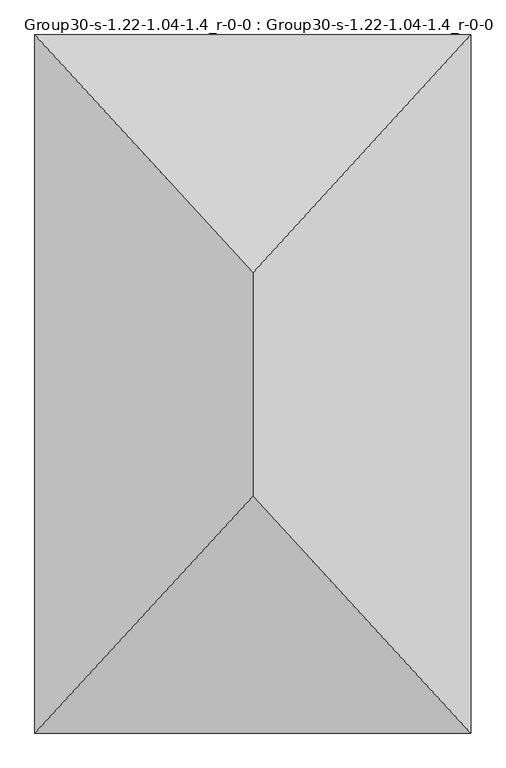
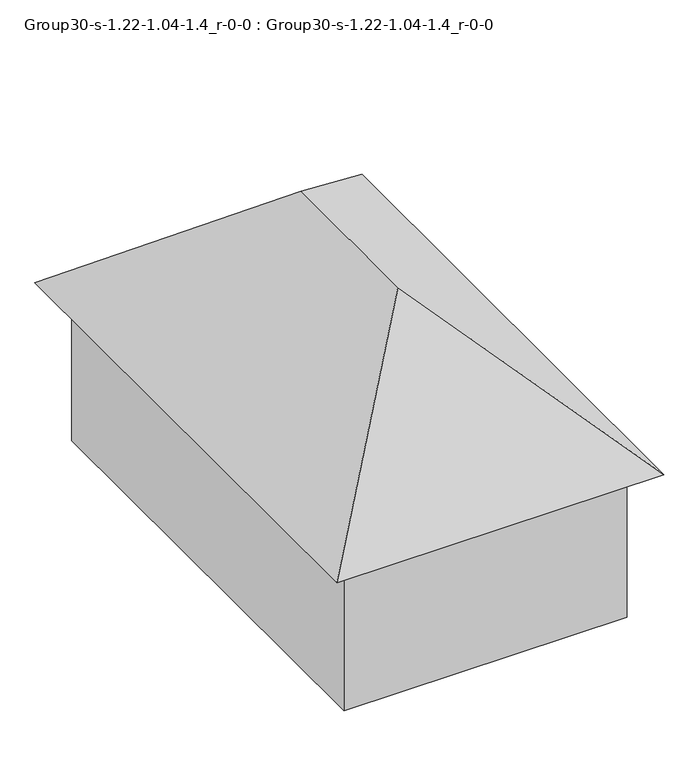
"""IFC4 building model written with IfcOpenShell, lengths in millimetres: geographic element geometry, Group30-s-1.22-1.04-1.4_r-0-0 : Group30-s-1.22-1.04-1.4_r-0-0."""

import ifcopenshell
import ifcopenshell.guid

model = None  # the IFC model being written
_history = None  # IfcOwnerHistory: only IFC2X3 demands one
_inside = {}  # id of a spatial element -> (the spatial element, [elements in it])
_under = {}  # id of a project, library or spatial element -> (it, [spatial elements below it])
_declared = {}  # id of a project -> (the project, [libraries it declares])
_typed = {}  # id of a type object -> (the type object, [elements of that type])
_made_of = {}  # id of a material, layer set ... -> (it, [elements and type objects made of it])


def new_model(schema):
    """Start an empty IFC model of exactly this schema.

    Asked for "IFC4X3", IfcOpenShell would pick the latest addendum, in which some entities
    have other attributes; the version numbers below select the first issue.
    IFC2X3 requires an IfcOwnerHistory on every rooted entity: one is made here for all.
    """
    global model, _history
    if schema == "IFC4X3":
        model = ifcopenshell.file(schema_version=(4, 3, 0, 0))
    else:
        model = ifcopenshell.file(schema=schema)
    _inside.clear()
    _under.clear()
    _declared.clear()
    _typed.clear()
    _made_of.clear()
    _history = None
    if model.schema == "IFC2X3":
        org = make("IfcOrganization", Name="unknown")
        user = make(
            "IfcPersonAndOrganization",
            ThePerson=make("IfcPerson", FamilyName="unknown"),
            TheOrganization=org,
        )
        app = make(
            "IfcApplication",
            ApplicationDeveloper=org,
            Version="unknown",
            ApplicationFullName="unknown",
            ApplicationIdentifier="unknown",
        )
        _history = make(
            "IfcOwnerHistory",
            OwningUser=user,
            OwningApplication=app,
            ChangeAction="ADDED",
            CreationDate=0,
        )
    return model


def make(cls, **values):
    """One entity of the class cls with the attributes given. An attribute that is None is left unset."""
    return model.create_entity(
        cls, **{name: value for name, value in values.items() if value is not None}
    )


def rooted(cls, **values):
    """An entity with a GlobalId (a new one), such as an element, a storey or a relation."""
    return make(cls, GlobalId=ifcopenshell.guid.new(), OwnerHistory=_history, **values)


def si_unit(unit_type, name, prefix=None):
    """IfcSIUnit, for example si_unit("LENGTHUNIT", "METRE", prefix="MILLI")."""
    return make("IfcSIUnit", UnitType=unit_type, Prefix=prefix, Name=name)


def assignment(units):
    """IfcUnitAssignment: the units of a project."""
    return None if units is None else make("IfcUnitAssignment", Units=units)


def point(xyz):
    """IfcCartesianPoint."""
    return None if xyz is None else make("IfcCartesianPoint", Coordinates=xyz)


def direction(xyz):
    """IfcDirection."""
    return None if xyz is None else make("IfcDirection", DirectionRatios=xyz)


def frame(location, z_axis=None, x_axis=None):
    """IfcAxis2Placement3D, a coordinate frame: its origin and axes. An axis left out is left unset."""
    return make(
        "IfcAxis2Placement3D",
        Location=point(location),
        Axis=direction(z_axis),
        RefDirection=direction(x_axis),
    )


def origin():
    """The frame at (0, 0, 0) with its axes left unset."""
    return frame((0.0, 0.0, 0.0))


def place(relative_to, where):
    """IfcLocalPlacement: puts the frame where relative to a parent placement (None: the world)."""
    return make(
        "IfcLocalPlacement", PlacementRelTo=relative_to, RelativePlacement=where
    )


def context(
    kind, dimensions, precision=None, world=None, true_north=None, identifier=None
):
    """IfcGeometricRepresentationContext, for example the 3D "Model" context."""
    return make(
        "IfcGeometricRepresentationContext",
        ContextIdentifier=identifier,
        ContextType=kind,
        CoordinateSpaceDimension=dimensions,
        Precision=precision,
        WorldCoordinateSystem=world,
        TrueNorth=true_north,
    )


def project(units=None, contexts=None):
    """IfcProject with its units and contexts."""
    return rooted(
        "IfcProject",
        Name="project",
        RepresentationContexts=contexts,
        UnitsInContext=assignment(units),
    )


def spatial(cls, under=None, at=None, **own):
    """A site, building, storey or space (cls), placed at a placement, below another one or the project."""
    s = rooted(cls, ObjectPlacement=at, **own)
    if under is not None:
        _under.setdefault(under.id(), (under, []))[1].append(s)
    return s


def point_list(points):
    """IfcCartesianPointList2D or 3D."""
    cls = (
        "IfcCartesianPointList2D" if len(points[0]) == 2 else "IfcCartesianPointList3D"
    )
    return make(cls, CoordList=points)


def triangles(points, corners, closed=None, point_numbers=None):
    """IfcTriangulatedFaceSet: each triangle names its three corners, points numbered from 1."""
    return make(
        "IfcTriangulatedFaceSet",
        Coordinates=point_list(points),
        Closed=closed,
        CoordIndex=corners,
        PnIndex=point_numbers,
    )


def shape(context_of_items, identifier, shape_type, items):
    """IfcShapeRepresentation: the items that make up one representation, for example the "Body"."""
    return make(
        "IfcShapeRepresentation",
        ContextOfItems=context_of_items,
        RepresentationIdentifier=identifier,
        RepresentationType=shape_type,
        Items=items,
    )


def source(mapping_origin, context_of_items, identifier, shape_type, items):
    """IfcRepresentationMap: a shape defined once, which mapped items show again and again."""
    return make(
        "IfcRepresentationMap",
        MappingOrigin=mapping_origin,
        MappedRepresentation=shape(context_of_items, identifier, shape_type, items),
    )


def transform(
    local_origin,
    x_axis=None,
    y_axis=None,
    z_axis=None,
    scale=None,
    scale2=None,
    scale3=None,
    uniform=True,
):
    """IfcCartesianTransformationOperator3D, or its non-uniform kind. x_axis, y_axis, z_axis: its Axis1, 2, 3."""
    if uniform:
        return make(
            "IfcCartesianTransformationOperator3D",
            Axis1=direction(x_axis),
            Axis2=direction(y_axis),
            LocalOrigin=point(local_origin),
            Scale=scale,
            Axis3=direction(z_axis),
        )
    return make(
        "IfcCartesianTransformationOperator3DnonUniform",
        Axis1=direction(x_axis),
        Axis2=direction(y_axis),
        LocalOrigin=point(local_origin),
        Scale=scale,
        Axis3=direction(z_axis),
        Scale2=scale2,
        Scale3=scale3,
    )


def mapped(mapping_source, mapping_target):
    """IfcMappedItem: shows the shape of a source again, moved by a transform."""
    return make(
        "IfcMappedItem", MappingSource=mapping_source, MappingTarget=mapping_target
    )


def made_of(thing, what):
    """Note that an element or type object is made of a material, layer set ...; save() writes the relation."""
    if what is not None:
        _made_of.setdefault(what.id(), (what, []))[1].append(thing)
    return thing


def element(
    cls,
    number,
    at=None,
    inside=None,
    cuts=None,
    type_object=None,
    material=None,
    context=None,
    identifier="Body",
    shape_type=None,
    held_by="IfcProductDefinitionShape",
    body=None,
    shapes=None,
    **own,
):
    """One element of the class cls, such as IfcWall. Its Tag is "e" and its number.

    at: its placement. inside: the storey or other place that contains it. cuts: it is an
    opening in that element (IfcRelVoidsElement). A single representation is given by context,
    identifier, shape_type and body (its items); several are given by shapes. held_by: the class
    of the entity that holds the representations. save() writes the other relations.
    """
    e = rooted(cls, Tag="e%d" % number, ObjectPlacement=at, **own)
    if body is not None:
        shapes = [shape(context, identifier, shape_type, body)]
    if shapes is not None:
        e.Representation = make(held_by, Representations=shapes)
    if inside is not None:
        _inside.setdefault(inside.id(), (inside, []))[1].append(e)
    if cuts is not None:
        rooted(
            "IfcRelVoidsElement", RelatingBuildingElement=cuts, RelatedOpeningElement=e
        )
    if type_object is not None:
        _typed.setdefault(type_object.id(), (type_object, []))[1].append(e)
    return made_of(e, material)


def aggregate(whole, parts):
    """IfcRelAggregates: a whole, such as a stair, and the parts it consists of."""
    return rooted("IfcRelAggregates", RelatingObject=whole, RelatedObjects=parts)


def save(model, path):
    """Write the relations noted so far, then the file.

    IfcRelAggregates (storeys below a building ...), IfcRelContainedInSpatialStructure (elements
    in a storey), IfcRelDefinesByType, IfcRelAssociatesMaterial and IfcRelDeclares: one each for
    every whole, place, type object, material and project.
    """
    for whole, parts in _under.values():
        aggregate(whole, parts)
    for where, things in _inside.values():
        rooted(
            "IfcRelContainedInSpatialStructure",
            RelatedElements=things,
            RelatingStructure=where,
        )
    for kind, things in _typed.values():
        rooted("IfcRelDefinesByType", RelatedObjects=things, RelatingType=kind)
    for what, things in _made_of.values():
        rooted("IfcRelAssociatesMaterial", RelatedObjects=things, RelatingMaterial=what)
    for by, libraries in _declared.values():
        rooted("IfcRelDeclares", RelatingContext=by, RelatedDefinitions=libraries)
    model.write(path)


def group30_s_1_22_1_04_1_4_r_0_0_group30_s_1_22_1_04_1_4_r_0_0_49411a74(model_context):
    return source(origin(), model_context, "Body", "Tessellation", [
        triangles([(6135.8481491, 13509.8067719, 3192.8498795), (441.7258718, 13509.8067719, 0.0), (441.7258718, 13509.8067719, 3192.8498795), (6135.8481491, 13509.8067719, 0.0), (6135.8481491, 4028.9973885, 0.0), (441.7258718, 4028.9973885, 0.0), (441.7258718, 4028.9973885, 3192.8498795), (6135.8481491, 4028.9973885, 3192.8498795), (3288.7870468, 10442.1137878, 6158.9699936), (6577.5740936, 14031.0435608, 3192.8498795), (0.0, 14031.0435608, 3192.8498795), (6577.5740936, 3507.7608902, 3192.8498795), (3288.7870468, 7073.6159088, 6158.9699936), (0.0, 3507.7608902, 3192.8498795)], [[1, 2, 3], [2, 1, 4], [5, 2, 4], [2, 5, 6], [7, 2, 6], [2, 7, 3], [1, 5, 4], [5, 1, 8], [5, 7, 6], [7, 5, 8], [7, 1, 3], [1, 7, 8], [9, 10, 11], [12, 13, 14], [9, 12, 10], [12, 9, 13], [12, 11, 10], [11, 12, 14], [14, 9, 11], [9, 14, 13]]),
    ])


if __name__ == "__main__":
    model = new_model("IFC4")
    model_context = context("Model", 3, world=origin())
    ifc_project = project(units=[si_unit("LENGTHUNIT", "METRE", prefix="MILLI")], contexts=[model_context])
    site = spatial("IfcSite", under=ifc_project)
    building = spatial("IfcBuilding", under=site)
    placement = place(None, origin())
    group30_s_1_22_1_04_1_4_r_0_0_group30_s_1_22_1_04_1_4_r_0_0_shape = group30_s_1_22_1_04_1_4_r_0_0_group30_s_1_22_1_04_1_4_r_0_0_49411a74(model_context)
    element("IfcGeographicElement", 1, ObjectType="Group30-s-1.22-1.04-1.4_r-0-0 : Group30-s-1.22-1.04-1.4_r-0-0", at=placement, inside=building, context=model_context, shape_type="MappedRepresentation", body=[
        mapped(group30_s_1_22_1_04_1_4_r_0_0_group30_s_1_22_1_04_1_4_r_0_0_shape, transform((0.0, 0.0, 0.0), x_axis=(1.0, 0.0, 0.0), y_axis=(0.0, 1.0, 0.0), z_axis=(0.0, 0.0, 1.0))),
    ])
    save(model, "model.ifc")
